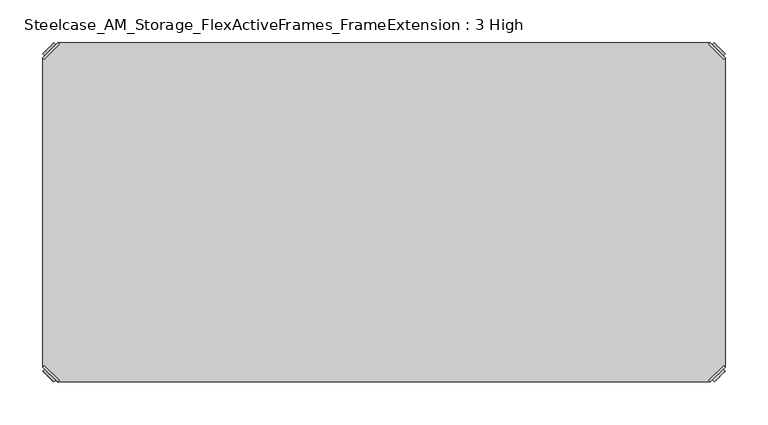
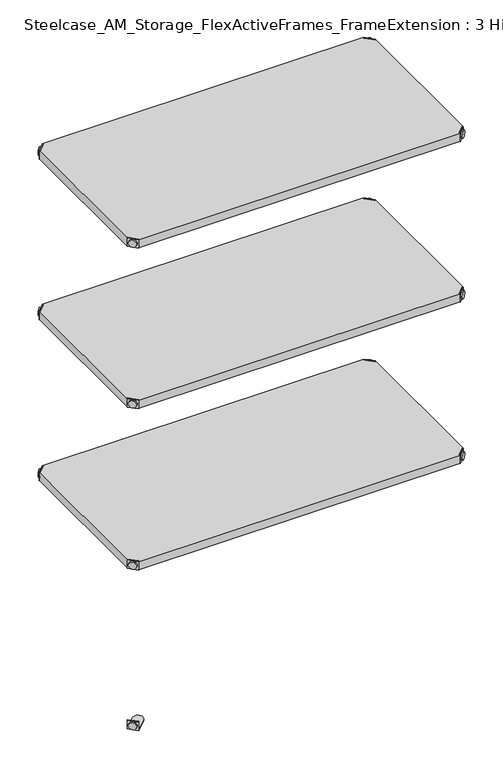
"""IFC4 building model written with IfcOpenShell, lengths in millimetres: furniture geometry, Steelcase_AM_Storage_FlexActiveFrames_FrameExtension : 3 High."""

from ifc_helpers import new_model, si_unit, frame, origin, place, context, project, spatial, polyline, circle_curve, outline, extrude, source, transform, mapped, element, save
from ifc_brep_helpers import plane_surface, cylinder_surface, advanced_brep


def steelcase_am_storage_flexactiveframes_frameextension_3_high_ee51c34d(model_context):
    return source(origin(), model_context, "Body", "SolidModel", [
        advanced_brep(
        [(2.54, -380.2870969, 923.29), (19.7629031, -397.51, 923.29), (21.5589544, -395.7139488, 923.29), (4.3360512, -378.4910456, 923.29), (2.54, -380.2870969, 901.954), (19.7629031, -397.51, 901.954), (4.8652723, -382.6123691, 913.13), (17.4376309, -395.1847277, 913.13), (30.2920522, -352.5350447, 902.97), (4.3360512, -378.4910456, 902.97), (21.5589544, -395.7139488, 902.97), (47.5149553, -369.7579478, 902.97), (30.2920522, -352.5350447, 901.954), (47.5149553, -369.7579478, 901.954), (15.1227513, -397.4996073, 913.13), (2.5503927, -384.9272487, 913.13)],
        [
            (0, 1),
            (1, 2),
            (2, 3),
            (3, 0),
            (0, 4),
            (4, 5),
            (5, 1),
            (6, 7, circle_curve(frame((11.1514516, -388.8985484, 913.13), z_axis=(0.7071067811865446, 0.7071067811865505, 0.0), x_axis=(-0.7071067811865505, 0.7071067811865446, 0.0)), 8.89)),
            (7, 6, circle_curve(frame((11.1514516, -388.8985484, 913.13), z_axis=(0.7071067811865446, 0.7071067811865505, 0.0), x_axis=(-0.7071067811865505, 0.7071067811865446, 0.0)), 8.89)),
            (8, 9),
            (9, 10),
            (10, 11),
            (11, 8, circle_curve(frame((38.9035037, -361.1464963, 902.97), z_axis=(0.0, 0.0, 1.0), x_axis=(1.0, 0.0, 0.0)), 12.1784316)),
            (12, 13, circle_curve(frame((38.9035037, -361.1464963, 901.954), z_axis=(0.0, 0.0, -1.0), x_axis=(1.0, 0.0, 0.0)), 12.1784316)),
            (13, 5),
            (4, 12),
            (14, 15, circle_curve(frame((8.836572, -391.213428, 913.13), z_axis=(-0.7071067811865446, -0.7071067811865505, 0.0), x_axis=(-0.7071067811865505, 0.7071067811865446, 0.0)), 8.89)),
            (15, 14, circle_curve(frame((8.836572, -391.213428, 913.13), z_axis=(-0.7071067811865446, -0.7071067811865505, 0.0), x_axis=(-0.7071067811865505, 0.7071067811865446, 0.0)), 8.89)),
            (15, 6),
            (7, 14),
            (2, 10),
            (9, 3),
            (11, 13),
            (12, 8),
        ],
        [
            plane_surface(frame((-19.6579872, -402.485084, 923.29), z_axis=(0.0, 0.0, 1.0000000000000002), x_axis=(0.7071067811865436, 0.7071067811865516, 0.0))),
            plane_surface(frame((19.7629031, -397.51, 923.29), z_axis=(-0.7071067811865447, -0.7071067811865503, 0.0), x_axis=(0.0, 0.0, -1.0))),
            plane_surface(frame((51.0819353, -361.1464963, 902.97), z_axis=(0.0, 0.0, 1.0), x_axis=(0.0, -1.0, 0.0))),
            plane_surface(frame((51.0819353, -361.1464963, 901.954), z_axis=(0.0, 0.0, -1.0), x_axis=(0.0, 1.0, 0.0))),
            plane_surface(frame((2.5503927, -384.9272487, 913.13), z_axis=(-0.7071067811865446, -0.7071067811865505, 0.0), x_axis=(0.0, 0.0, 1.0))),
            cylinder_surface(frame((11.1514516, -388.8985484, 913.13), z_axis=(-0.7071067811865446, -0.7071067811865505, 0.0), x_axis=(-0.7071067811865505, 0.7071067811865446, 0.0)), 8.89),
            plane_surface(frame((4.3360512, -378.4910456, 923.29), z_axis=(0.7071067811865447, 0.7071067811865503, 0.0), x_axis=(0.0, 0.0, -1.0))),
            cylinder_surface(frame((38.9035037, -361.1464963, 901.954), z_axis=(0.0, 0.0, 1.0), x_axis=(1.0, 0.0, 0.0)), 12.1784316),
            plane_surface(frame((2.54, -380.2870969, 923.29), z_axis=(-0.7071067811865516, 0.7071067811865436, 0.0), x_axis=(0.0, 0.0, -1.0))),
            plane_surface(frame((21.5589544, -395.7139488, 923.29), z_axis=(0.7071067811865513, -0.7071067811865437, 0.0), x_axis=(0.0, 0.0, -1.0))),
        ],
        [
            (0, [[1, 2, 3, 4]]),
            (1, [[5, 6, 7, -1], [8, 9]]),
            (2, [[10, 11, 12, 13]]),
            (3, [[14, 15, -6, 16]]),
            (4, [[17, 18]]),
            (5, [[19, -9, 20, -18]]),
            (5, [[-20, -8, -19, -17]]),
            (6, [[21, -11, 22, -3]]),
            (7, [[23, -14, 24, -13]]),
            (8, [[-22, -10, -24, -16, -5, -4]]),
            (9, [[-7, -15, -23, -12, -21, -2]]),
        ],
    ),
        advanced_brep(
        [(797.56, -380.2870969, 923.29), (795.7639488, -378.4910456, 923.29), (778.5410456, -395.7139488, 923.29), (780.3370969, -397.51, 923.29), (780.3370969, -397.51, 901.954), (797.56, -380.2870969, 901.954), (795.2347277, -382.6123691, 913.13), (782.6623691, -395.1847277, 913.13), (769.8079478, -352.5350447, 902.97), (752.5850447, -369.7579478, 902.97), (778.5410456, -395.7139488, 902.97), (795.7639488, -378.4910456, 902.97), (769.8079478, -352.5350447, 901.954), (752.5850447, -369.7579478, 901.954), (784.9772487, -397.4996073, 913.13), (797.5496073, -384.9272487, 913.13)],
        [
            (0, 1),
            (1, 2),
            (2, 3),
            (3, 0),
            (3, 4),
            (4, 5),
            (5, 0),
            (6, 7, circle_curve(frame((788.9485484, -388.8985484, 913.13), z_axis=(-0.7071067811865446, 0.7071067811865505, 0.0), x_axis=(0.7071067811865505, 0.7071067811865446, 0.0)), 8.89)),
            (7, 6, circle_curve(frame((788.9485484, -388.8985484, 913.13), z_axis=(-0.7071067811865446, 0.7071067811865505, 0.0), x_axis=(0.7071067811865505, 0.7071067811865446, 0.0)), 8.89)),
            (8, 9, circle_curve(frame((761.1964963, -361.1464963, 902.97), z_axis=(0.0, 0.0, 1.0), x_axis=(-1.0, 0.0, 0.0)), 12.1784316)),
            (9, 10),
            (10, 11),
            (11, 8),
            (12, 5),
            (4, 13),
            (13, 12, circle_curve(frame((761.1964963, -361.1464963, 901.954), z_axis=(0.0, 0.0, -1.0), x_axis=(-1.0, 0.0, 0.0)), 12.1784316)),
            (14, 15, circle_curve(frame((791.263428, -391.213428, 913.13), z_axis=(0.7071067811865446, -0.7071067811865505, 0.0), x_axis=(0.7071067811865505, 0.7071067811865446, 0.0)), 8.89)),
            (15, 14, circle_curve(frame((791.263428, -391.213428, 913.13), z_axis=(0.7071067811865446, -0.7071067811865505, 0.0), x_axis=(0.7071067811865505, 0.7071067811865446, 0.0)), 8.89)),
            (14, 7),
            (6, 15),
            (1, 11),
            (10, 2),
            (8, 12),
            (13, 9),
        ],
        [
            plane_surface(frame((819.7579872, -402.485084, 923.29), z_axis=(0.0, 0.0, 1.0000000000000002), x_axis=(-0.7071067811865436, 0.7071067811865516, 0.0))),
            plane_surface(frame((780.3370969, -397.51, 923.29), z_axis=(0.7071067811865447, -0.7071067811865503, 0.0), x_axis=(0.0, 0.0, -1.0))),
            plane_surface(frame((749.0180647, -361.1464963, 902.97), z_axis=(0.0, 0.0, 1.0), x_axis=(0.0, -1.0, 0.0))),
            plane_surface(frame((749.0180647, -361.1464963, 901.954), z_axis=(0.0, 0.0, -1.0), x_axis=(0.0, 1.0, 0.0))),
            plane_surface(frame((797.5496073, -384.9272487, 913.13), z_axis=(0.7071067811865446, -0.7071067811865505, 0.0), x_axis=(0.0, 0.0, 1.0))),
            cylinder_surface(frame((788.9485484, -388.8985484, 913.13), z_axis=(0.7071067811865446, -0.7071067811865505, 0.0), x_axis=(0.7071067811865505, 0.7071067811865446, 0.0)), 8.89),
            plane_surface(frame((795.7639488, -378.4910456, 923.29), z_axis=(-0.7071067811865447, 0.7071067811865503, 0.0), x_axis=(0.0, 0.0, -1.0))),
            cylinder_surface(frame((761.1964963, -361.1464963, 901.954), z_axis=(0.0, 0.0, 1.0), x_axis=(-1.0, 0.0, 0.0)), 12.1784316),
            plane_surface(frame((797.56, -380.2870969, 923.29), z_axis=(0.7071067811865516, 0.7071067811865436, 0.0), x_axis=(0.0, 0.0, -1.0))),
            plane_surface(frame((778.5410456, -395.7139488, 923.29), z_axis=(-0.7071067811865513, -0.7071067811865437, 0.0), x_axis=(0.0, 0.0, -1.0))),
        ],
        [
            (0, [[1, 2, 3, 4]]),
            (1, [[-4, 5, 6, 7], [8, 9]]),
            (2, [[10, 11, 12, 13]]),
            (3, [[14, -6, 15, 16]]),
            (4, [[17, 18]]),
            (5, [[-17, 19, -8, 20]]),
            (5, [[-18, -20, -9, -19]]),
            (6, [[-2, 21, -12, 22]]),
            (7, [[-10, 23, -16, 24]]),
            (8, [[-1, -7, -14, -23, -13, -21]]),
            (9, [[-3, -22, -11, -24, -15, -5]]),
        ],
    ),
        advanced_brep(
        [(797.56, -19.7629031, 923.29), (780.3370969, -2.54, 923.29), (778.5410456, -4.3360512, 923.29), (795.7639488, -21.5589544, 923.29), (797.56, -19.7629031, 901.954), (780.3370969, -2.54, 901.954), (795.2347277, -17.4376309, 913.13), (782.6623691, -4.8652723, 913.13), (769.8079478, -47.5149553, 902.97), (795.7639488, -21.5589544, 902.97), (778.5410456, -4.3360512, 902.97), (752.5850447, -30.2920522, 902.97), (769.8079478, -47.5149553, 901.954), (752.5850447, -30.2920522, 901.954), (784.9772487, -2.5503927, 913.13), (797.5496073, -15.1227513, 913.13)],
        [
            (0, 1),
            (1, 2),
            (2, 3),
            (3, 0),
            (0, 4),
            (4, 5),
            (5, 1),
            (6, 7, circle_curve(frame((788.9485484, -11.1514516, 913.13), z_axis=(-0.7071067811865469, -0.7071067811865481, 0.0), x_axis=(0.7071067811865481, -0.7071067811865469, 0.0)), 8.89)),
            (7, 6, circle_curve(frame((788.9485484, -11.1514516, 913.13), z_axis=(-0.7071067811865469, -0.7071067811865481, 0.0), x_axis=(0.7071067811865481, -0.7071067811865469, 0.0)), 8.89)),
            (8, 9),
            (9, 10),
            (10, 11),
            (11, 8, circle_curve(frame((761.1964963, -38.9035037, 902.97), z_axis=(0.0, 0.0, 1.0), x_axis=(-1.0, 0.0, 0.0)), 12.1784316)),
            (12, 13, circle_curve(frame((761.1964963, -38.9035037, 901.954), z_axis=(0.0, 0.0, -1.0), x_axis=(-1.0, 0.0, 0.0)), 12.1784316)),
            (13, 5),
            (4, 12),
            (14, 15, circle_curve(frame((791.263428, -8.836572, 913.13), z_axis=(0.7071067811865469, 0.7071067811865481, 0.0), x_axis=(0.7071067811865481, -0.7071067811865469, 0.0)), 8.89)),
            (15, 14, circle_curve(frame((791.263428, -8.836572, 913.13), z_axis=(0.7071067811865469, 0.7071067811865481, 0.0), x_axis=(0.7071067811865481, -0.7071067811865469, 0.0)), 8.89)),
            (15, 6),
            (7, 14),
            (2, 10),
            (9, 3),
            (11, 13),
            (12, 8),
        ],
        [
            plane_surface(frame((819.7579872, 2.435084, 923.29), z_axis=(0.0, 0.0, 1.0000000000000002), x_axis=(-0.7071067811865459, -0.7071067811865492, 0.0))),
            plane_surface(frame((780.3370969, -2.54, 923.29), z_axis=(0.707106781186547, 0.707106781186548, 0.0), x_axis=(0.0, 0.0, -1.0))),
            plane_surface(frame((749.0180647, -38.9035037, 902.97), z_axis=(0.0, 0.0, 1.0), x_axis=(0.0, 1.0, 0.0))),
            plane_surface(frame((749.0180647, -38.9035037, 901.954), z_axis=(0.0, 0.0, -1.0), x_axis=(0.0, -1.0, 0.0))),
            plane_surface(frame((797.5496073, -15.1227513, 913.13), z_axis=(0.7071067811865469, 0.7071067811865481, 0.0), x_axis=(0.0, 0.0, 1.0))),
            cylinder_surface(frame((788.9485484, -11.1514516, 913.13), z_axis=(0.7071067811865469, 0.7071067811865481, 0.0), x_axis=(0.7071067811865481, -0.7071067811865469, 0.0)), 8.89),
            plane_surface(frame((795.7639488, -21.5589544, 923.29), z_axis=(-0.707106781186547, -0.707106781186548, 0.0), x_axis=(0.0, 0.0, -1.0))),
            cylinder_surface(frame((761.1964963, -38.9035037, 901.954), z_axis=(0.0, 0.0, 1.0), x_axis=(-1.0, 0.0, 0.0)), 12.1784316),
            plane_surface(frame((797.56, -19.7629031, 923.29), z_axis=(0.7071067811865492, -0.7071067811865459, 0.0), x_axis=(0.0, 0.0, -1.0))),
            plane_surface(frame((778.5410456, -4.3360512, 923.29), z_axis=(-0.707106781186549, 0.707106781186546, 0.0), x_axis=(0.0, 0.0, -1.0))),
        ],
        [
            (0, [[1, 2, 3, 4]]),
            (1, [[5, 6, 7, -1], [8, 9]]),
            (2, [[10, 11, 12, 13]]),
            (3, [[14, 15, -6, 16]]),
            (4, [[17, 18]]),
            (5, [[19, -9, 20, -18]]),
            (5, [[-20, -8, -19, -17]]),
            (6, [[21, -11, 22, -3]]),
            (7, [[23, -14, 24, -13]]),
            (8, [[-22, -10, -24, -16, -5, -4]]),
            (9, [[-7, -15, -23, -12, -21, -2]]),
        ],
    ),
        advanced_brep(
        [(2.54, -19.7629031, 923.29), (4.3360512, -21.5589544, 923.29), (21.5589544, -4.3360512, 923.29), (19.7629031, -2.54, 923.29), (19.7629031, -2.54, 901.954), (2.54, -19.7629031, 901.954), (4.8652723, -17.4376309, 913.13), (17.4376309, -4.8652723, 913.13), (30.2920522, -47.5149553, 902.97), (47.5149553, -30.2920522, 902.97), (21.5589544, -4.3360512, 902.97), (4.3360512, -21.5589544, 902.97), (30.2920522, -47.5149553, 901.954), (47.5149553, -30.2920522, 901.954), (15.1227513, -2.5503927, 913.13), (2.5503927, -15.1227513, 913.13)],
        [
            (0, 1),
            (1, 2),
            (2, 3),
            (3, 0),
            (3, 4),
            (4, 5),
            (5, 0),
            (6, 7, circle_curve(frame((11.1514516, -11.1514516, 913.13), z_axis=(0.7071067811865469, -0.7071067811865481, 0.0), x_axis=(-0.7071067811865481, -0.7071067811865469, 0.0)), 8.89)),
            (7, 6, circle_curve(frame((11.1514516, -11.1514516, 913.13), z_axis=(0.7071067811865469, -0.7071067811865481, 0.0), x_axis=(-0.7071067811865481, -0.7071067811865469, 0.0)), 8.89)),
            (8, 9, circle_curve(frame((38.9035037, -38.9035037, 902.97), z_axis=(0.0, 0.0, 1.0), x_axis=(1.0, 0.0, 0.0)), 12.1784316)),
            (9, 10),
            (10, 11),
            (11, 8),
            (12, 5),
            (4, 13),
            (13, 12, circle_curve(frame((38.9035037, -38.9035037, 901.954), z_axis=(0.0, 0.0, -1.0), x_axis=(1.0, 0.0, 0.0)), 12.1784316)),
            (14, 15, circle_curve(frame((8.836572, -8.836572, 913.13), z_axis=(-0.7071067811865469, 0.7071067811865481, 0.0), x_axis=(-0.7071067811865481, -0.7071067811865469, 0.0)), 8.89)),
            (15, 14, circle_curve(frame((8.836572, -8.836572, 913.13), z_axis=(-0.7071067811865469, 0.7071067811865481, 0.0), x_axis=(-0.7071067811865481, -0.7071067811865469, 0.0)), 8.89)),
            (14, 7),
            (6, 15),
            (1, 11),
            (10, 2),
            (8, 12),
            (13, 9),
        ],
        [
            plane_surface(frame((-19.6579872, 2.435084, 923.29), z_axis=(0.0, 0.0, 1.0000000000000002), x_axis=(0.7071067811865459, -0.7071067811865492, 0.0))),
            plane_surface(frame((19.7629031, -2.54, 923.29), z_axis=(-0.707106781186547, 0.707106781186548, 0.0), x_axis=(0.0, 0.0, -1.0))),
            plane_surface(frame((51.0819353, -38.9035037, 902.97), z_axis=(0.0, 0.0, 1.0), x_axis=(0.0, 1.0, 0.0))),
            plane_surface(frame((51.0819353, -38.9035037, 901.954), z_axis=(0.0, 0.0, -1.0), x_axis=(0.0, -1.0, 0.0))),
            plane_surface(frame((2.5503927, -15.1227513, 913.13), z_axis=(-0.7071067811865469, 0.7071067811865481, 0.0), x_axis=(0.0, 0.0, 1.0))),
            cylinder_surface(frame((11.1514516, -11.1514516, 913.13), z_axis=(-0.7071067811865469, 0.7071067811865481, 0.0), x_axis=(-0.7071067811865481, -0.7071067811865469, 0.0)), 8.89),
            plane_surface(frame((4.3360512, -21.5589544, 923.29), z_axis=(0.707106781186547, -0.707106781186548, 0.0), x_axis=(0.0, 0.0, -1.0))),
            cylinder_surface(frame((38.9035037, -38.9035037, 901.954), z_axis=(0.0, 0.0, 1.0), x_axis=(1.0, 0.0, 0.0)), 12.1784316),
            plane_surface(frame((2.54, -19.7629031, 923.29), z_axis=(-0.7071067811865492, -0.7071067811865459, 0.0), x_axis=(0.0, 0.0, -1.0))),
            plane_surface(frame((21.5589544, -4.3360512, 923.29), z_axis=(0.707106781186549, 0.707106781186546, 0.0), x_axis=(0.0, 0.0, -1.0))),
        ],
        [
            (0, [[1, 2, 3, 4]]),
            (1, [[-4, 5, 6, 7], [8, 9]]),
            (2, [[10, 11, 12, 13]]),
            (3, [[14, -6, 15, 16]]),
            (4, [[17, 18]]),
            (5, [[-17, 19, -8, 20]]),
            (5, [[-18, -20, -9, -19]]),
            (6, [[-2, 21, -12, 22]]),
            (7, [[-10, 23, -16, 24]]),
            (8, [[-1, -7, -14, -23, -13, -21]]),
            (9, [[-3, -22, -11, -24, -15, -5]]),
        ],
    ),
        extrude(outline(polyline([(19.7629031, -2.54), (780.3370969, -2.54), (778.5410456, -4.3360512), (795.7639488, -21.5589544), (797.56, -19.7629031), (797.56, -380.2870969), (795.7639488, -378.4910456), (778.5410456, -395.7139488), (780.3370969, -397.51), (19.7629031, -397.51), (21.5589544, -395.7139488), (4.3360512, -378.4910456), (2.54, -380.2870969), (2.54, -19.7629031), (4.3360512, -21.5589544), (21.5589544, -4.3360512), (19.7629031, -2.54)])), frame((0.0, 0.0, 902.97), z_axis=(0.0, 0.0, 1.0), x_axis=(1.0, 0.0, 0.0)), (0.0, 0.0, 1.0), 20.32),
        advanced_brep(
        [(2.54, -380.2870969, 520.2936), (19.7629031, -397.51, 520.2936), (21.5589544, -395.7139488, 520.2936), (4.3360512, -378.4910456, 520.2936), (2.54, -380.2870969, 498.9576), (19.7629031, -397.51, 498.9576), (4.8652723, -382.6123691, 510.1336), (17.4376309, -395.1847277, 510.1336), (30.2920522, -352.5350447, 499.9736), (4.3360512, -378.4910456, 499.9736), (21.5589544, -395.7139488, 499.9736), (47.5149553, -369.7579478, 499.9736), (30.2920522, -352.5350447, 498.9576), (47.5149553, -369.7579478, 498.9576), (15.1227513, -397.4996073, 510.1336), (2.5503927, -384.9272487, 510.1336)],
        [
            (0, 1),
            (1, 2),
            (2, 3),
            (3, 0),
            (0, 4),
            (4, 5),
            (5, 1),
            (6, 7, circle_curve(frame((11.1514516, -388.8985484, 510.1336), z_axis=(0.7071067811865446, 0.7071067811865505, 0.0), x_axis=(-0.7071067811865505, 0.7071067811865446, 0.0)), 8.89)),
            (7, 6, circle_curve(frame((11.1514516, -388.8985484, 510.1336), z_axis=(0.7071067811865446, 0.7071067811865505, 0.0), x_axis=(-0.7071067811865505, 0.7071067811865446, 0.0)), 8.89)),
            (8, 9),
            (9, 10),
            (10, 11),
            (11, 8, circle_curve(frame((38.9035037, -361.1464963, 499.9736), z_axis=(0.0, 0.0, 1.0), x_axis=(1.0, 0.0, 0.0)), 12.1784316)),
            (12, 13, circle_curve(frame((38.9035037, -361.1464963, 498.9576), z_axis=(0.0, 0.0, -1.0), x_axis=(1.0, 0.0, 0.0)), 12.1784316)),
            (13, 5),
            (4, 12),
            (14, 15, circle_curve(frame((8.836572, -391.213428, 510.1336), z_axis=(-0.7071067811865446, -0.7071067811865505, 0.0), x_axis=(-0.7071067811865505, 0.7071067811865446, 0.0)), 8.89)),
            (15, 14, circle_curve(frame((8.836572, -391.213428, 510.1336), z_axis=(-0.7071067811865446, -0.7071067811865505, 0.0), x_axis=(-0.7071067811865505, 0.7071067811865446, 0.0)), 8.89)),
            (15, 6),
            (7, 14),
            (2, 10),
            (9, 3),
            (11, 13),
            (12, 8),
        ],
        [
            plane_surface(frame((-19.6579872, -402.485084, 520.2936), z_axis=(0.0, 0.0, 1.0000000000000002), x_axis=(0.7071067811865436, 0.7071067811865516, 0.0))),
            plane_surface(frame((19.7629031, -397.51, 520.2936), z_axis=(-0.7071067811865447, -0.7071067811865503, 0.0), x_axis=(0.0, 0.0, -1.0))),
            plane_surface(frame((51.0819353, -361.1464963, 499.9736), z_axis=(0.0, 0.0, 1.0), x_axis=(0.0, -1.0, 0.0))),
            plane_surface(frame((51.0819353, -361.1464963, 498.9576), z_axis=(0.0, 0.0, -1.0), x_axis=(0.0, 1.0, 0.0))),
            plane_surface(frame((2.5503927, -384.9272487, 510.1336), z_axis=(-0.7071067811865446, -0.7071067811865505, 0.0), x_axis=(0.0, 0.0, 1.0))),
            cylinder_surface(frame((11.1514516, -388.8985484, 510.1336), z_axis=(-0.7071067811865446, -0.7071067811865505, 0.0), x_axis=(-0.7071067811865505, 0.7071067811865446, 0.0)), 8.89),
            plane_surface(frame((4.3360512, -378.4910456, 520.2936), z_axis=(0.7071067811865447, 0.7071067811865503, 0.0), x_axis=(0.0, 0.0, -1.0))),
            cylinder_surface(frame((38.9035037, -361.1464963, 498.9576), z_axis=(0.0, 0.0, 1.0), x_axis=(1.0, 0.0, 0.0)), 12.1784316),
            plane_surface(frame((2.54, -380.2870969, 520.2936), z_axis=(-0.7071067811865516, 0.7071067811865436, 0.0), x_axis=(0.0, 0.0, -1.0))),
            plane_surface(frame((21.5589544, -395.7139488, 520.2936), z_axis=(0.7071067811865513, -0.7071067811865437, 0.0), x_axis=(0.0, 0.0, -1.0))),
        ],
        [
            (0, [[1, 2, 3, 4]]),
            (1, [[5, 6, 7, -1], [8, 9]]),
            (2, [[10, 11, 12, 13]]),
            (3, [[14, 15, -6, 16]]),
            (4, [[17, 18]]),
            (5, [[19, -9, 20, -18]]),
            (5, [[-20, -8, -19, -17]]),
            (6, [[21, -11, 22, -3]]),
            (7, [[23, -14, 24, -13]]),
            (8, [[-22, -10, -24, -16, -5, -4]]),
            (9, [[-7, -15, -23, -12, -21, -2]]),
        ],
    ),
        advanced_brep(
        [(797.56, -380.2870969, 520.2936), (795.7639488, -378.4910456, 520.2936), (778.5410456, -395.7139488, 520.2936), (780.3370969, -397.51, 520.2936), (780.3370969, -397.51, 498.9576), (797.56, -380.2870969, 498.9576), (795.2347277, -382.6123691, 510.1336), (782.6623691, -395.1847277, 510.1336), (769.8079478, -352.5350447, 499.9736), (752.5850447, -369.7579478, 499.9736), (778.5410456, -395.7139488, 499.9736), (795.7639488, -378.4910456, 499.9736), (769.8079478, -352.5350447, 498.9576), (752.5850447, -369.7579478, 498.9576), (784.9772487, -397.4996073, 510.1336), (797.5496073, -384.9272487, 510.1336)],
        [
            (0, 1),
            (1, 2),
            (2, 3),
            (3, 0),
            (3, 4),
            (4, 5),
            (5, 0),
            (6, 7, circle_curve(frame((788.9485484, -388.8985484, 510.1336), z_axis=(-0.7071067811865446, 0.7071067811865505, 0.0), x_axis=(0.7071067811865505, 0.7071067811865446, 0.0)), 8.89)),
            (7, 6, circle_curve(frame((788.9485484, -388.8985484, 510.1336), z_axis=(-0.7071067811865446, 0.7071067811865505, 0.0), x_axis=(0.7071067811865505, 0.7071067811865446, 0.0)), 8.89)),
            (8, 9, circle_curve(frame((761.1964963, -361.1464963, 499.9736), z_axis=(0.0, 0.0, 1.0), x_axis=(-1.0, 0.0, 0.0)), 12.1784316)),
            (9, 10),
            (10, 11),
            (11, 8),
            (12, 5),
            (4, 13),
            (13, 12, circle_curve(frame((761.1964963, -361.1464963, 498.9576), z_axis=(0.0, 0.0, -1.0), x_axis=(-1.0, 0.0, 0.0)), 12.1784316)),
            (14, 15, circle_curve(frame((791.263428, -391.213428, 510.1336), z_axis=(0.7071067811865446, -0.7071067811865505, 0.0), x_axis=(0.7071067811865505, 0.7071067811865446, 0.0)), 8.89)),
            (15, 14, circle_curve(frame((791.263428, -391.213428, 510.1336), z_axis=(0.7071067811865446, -0.7071067811865505, 0.0), x_axis=(0.7071067811865505, 0.7071067811865446, 0.0)), 8.89)),
            (14, 7),
            (6, 15),
            (1, 11),
            (10, 2),
            (8, 12),
            (13, 9),
        ],
        [
            plane_surface(frame((819.7579872, -402.485084, 520.2936), z_axis=(0.0, 0.0, 1.0000000000000002), x_axis=(-0.7071067811865436, 0.7071067811865516, 0.0))),
            plane_surface(frame((780.3370969, -397.51, 520.2936), z_axis=(0.7071067811865447, -0.7071067811865503, 0.0), x_axis=(0.0, 0.0, -1.0))),
            plane_surface(frame((749.0180647, -361.1464963, 499.9736), z_axis=(0.0, 0.0, 1.0), x_axis=(0.0, -1.0, 0.0))),
            plane_surface(frame((749.0180647, -361.1464963, 498.9576), z_axis=(0.0, 0.0, -1.0), x_axis=(0.0, 1.0, 0.0))),
            plane_surface(frame((797.5496073, -384.9272487, 510.1336), z_axis=(0.7071067811865446, -0.7071067811865505, 0.0), x_axis=(0.0, 0.0, 1.0))),
            cylinder_surface(frame((788.9485484, -388.8985484, 510.1336), z_axis=(0.7071067811865446, -0.7071067811865505, 0.0), x_axis=(0.7071067811865505, 0.7071067811865446, 0.0)), 8.89),
            plane_surface(frame((795.7639488, -378.4910456, 520.2936), z_axis=(-0.7071067811865447, 0.7071067811865503, 0.0), x_axis=(0.0, 0.0, -1.0))),
            cylinder_surface(frame((761.1964963, -361.1464963, 498.9576), z_axis=(0.0, 0.0, 1.0), x_axis=(-1.0, 0.0, 0.0)), 12.1784316),
            plane_surface(frame((797.56, -380.2870969, 520.2936), z_axis=(0.7071067811865516, 0.7071067811865436, 0.0), x_axis=(0.0, 0.0, -1.0))),
            plane_surface(frame((778.5410456, -395.7139488, 520.2936), z_axis=(-0.7071067811865513, -0.7071067811865437, 0.0), x_axis=(0.0, 0.0, -1.0))),
        ],
        [
            (0, [[1, 2, 3, 4]]),
            (1, [[-4, 5, 6, 7], [8, 9]]),
            (2, [[10, 11, 12, 13]]),
            (3, [[14, -6, 15, 16]]),
            (4, [[17, 18]]),
            (5, [[-17, 19, -8, 20]]),
            (5, [[-18, -20, -9, -19]]),
            (6, [[-2, 21, -12, 22]]),
            (7, [[-10, 23, -16, 24]]),
            (8, [[-1, -7, -14, -23, -13, -21]]),
            (9, [[-3, -22, -11, -24, -15, -5]]),
        ],
    ),
        advanced_brep(
        [(797.56, -19.7629031, 520.2936), (780.3370969, -2.54, 520.2936), (778.5410456, -4.3360512, 520.2936), (795.7639488, -21.5589544, 520.2936), (797.56, -19.7629031, 498.9576), (780.3370969, -2.54, 498.9576), (795.2347277, -17.4376309, 510.1336), (782.6623691, -4.8652723, 510.1336), (769.8079478, -47.5149553, 499.9736), (795.7639488, -21.5589544, 499.9736), (778.5410456, -4.3360512, 499.9736), (752.5850447, -30.2920522, 499.9736), (769.8079478, -47.5149553, 498.9576), (752.5850447, -30.2920522, 498.9576), (784.9772487, -2.5503927, 510.1336), (797.5496073, -15.1227513, 510.1336)],
        [
            (0, 1),
            (1, 2),
            (2, 3),
            (3, 0),
            (0, 4),
            (4, 5),
            (5, 1),
            (6, 7, circle_curve(frame((788.9485484, -11.1514516, 510.1336), z_axis=(-0.7071067811865469, -0.7071067811865481, 0.0), x_axis=(0.7071067811865481, -0.7071067811865469, 0.0)), 8.89)),
            (7, 6, circle_curve(frame((788.9485484, -11.1514516, 510.1336), z_axis=(-0.7071067811865469, -0.7071067811865481, 0.0), x_axis=(0.7071067811865481, -0.7071067811865469, 0.0)), 8.89)),
            (8, 9),
            (9, 10),
            (10, 11),
            (11, 8, circle_curve(frame((761.1964963, -38.9035037, 499.9736), z_axis=(0.0, 0.0, 1.0), x_axis=(-1.0, 0.0, 0.0)), 12.1784316)),
            (12, 13, circle_curve(frame((761.1964963, -38.9035037, 498.9576), z_axis=(0.0, 0.0, -1.0), x_axis=(-1.0, 0.0, 0.0)), 12.1784316)),
            (13, 5),
            (4, 12),
            (14, 15, circle_curve(frame((791.263428, -8.836572, 510.1336), z_axis=(0.7071067811865469, 0.7071067811865481, 0.0), x_axis=(0.7071067811865481, -0.7071067811865469, 0.0)), 8.89)),
            (15, 14, circle_curve(frame((791.263428, -8.836572, 510.1336), z_axis=(0.7071067811865469, 0.7071067811865481, 0.0), x_axis=(0.7071067811865481, -0.7071067811865469, 0.0)), 8.89)),
            (15, 6),
            (7, 14),
            (2, 10),
            (9, 3),
            (11, 13),
            (12, 8),
        ],
        [
            plane_surface(frame((819.7579872, 2.435084, 520.2936), z_axis=(0.0, 0.0, 1.0000000000000002), x_axis=(-0.7071067811865459, -0.7071067811865492, 0.0))),
            plane_surface(frame((780.3370969, -2.54, 520.2936), z_axis=(0.707106781186547, 0.707106781186548, 0.0), x_axis=(0.0, 0.0, -1.0))),
            plane_surface(frame((749.0180647, -38.9035037, 499.9736), z_axis=(0.0, 0.0, 1.0), x_axis=(0.0, 1.0, 0.0))),
            plane_surface(frame((749.0180647, -38.9035037, 498.9576), z_axis=(0.0, 0.0, -1.0), x_axis=(0.0, -1.0, 0.0))),
            plane_surface(frame((797.5496073, -15.1227513, 510.1336), z_axis=(0.7071067811865469, 0.7071067811865481, 0.0), x_axis=(0.0, 0.0, 1.0))),
            cylinder_surface(frame((788.9485484, -11.1514516, 510.1336), z_axis=(0.7071067811865469, 0.7071067811865481, 0.0), x_axis=(0.7071067811865481, -0.7071067811865469, 0.0)), 8.89),
            plane_surface(frame((795.7639488, -21.5589544, 520.2936), z_axis=(-0.707106781186547, -0.707106781186548, 0.0), x_axis=(0.0, 0.0, -1.0))),
            cylinder_surface(frame((761.1964963, -38.9035037, 498.9576), z_axis=(0.0, 0.0, 1.0), x_axis=(-1.0, 0.0, 0.0)), 12.1784316),
            plane_surface(frame((797.56, -19.7629031, 520.2936), z_axis=(0.7071067811865492, -0.7071067811865459, 0.0), x_axis=(0.0, 0.0, -1.0))),
            plane_surface(frame((778.5410456, -4.3360512, 520.2936), z_axis=(-0.707106781186549, 0.707106781186546, 0.0), x_axis=(0.0, 0.0, -1.0))),
        ],
        [
            (0, [[1, 2, 3, 4]]),
            (1, [[5, 6, 7, -1], [8, 9]]),
            (2, [[10, 11, 12, 13]]),
            (3, [[14, 15, -6, 16]]),
            (4, [[17, 18]]),
            (5, [[19, -9, 20, -18]]),
            (5, [[-20, -8, -19, -17]]),
            (6, [[21, -11, 22, -3]]),
            (7, [[23, -14, 24, -13]]),
            (8, [[-22, -10, -24, -16, -5, -4]]),
            (9, [[-7, -15, -23, -12, -21, -2]]),
        ],
    ),
        advanced_brep(
        [(2.54, -19.7629031, 520.2936), (4.3360512, -21.5589544, 520.2936), (21.5589544, -4.3360512, 520.2936), (19.7629031, -2.54, 520.2936), (19.7629031, -2.54, 498.9576), (2.54, -19.7629031, 498.9576), (4.8652723, -17.4376309, 510.1336), (17.4376309, -4.8652723, 510.1336), (30.2920522, -47.5149553, 499.9736), (47.5149553, -30.2920522, 499.9736), (21.5589544, -4.3360512, 499.9736), (4.3360512, -21.5589544, 499.9736), (30.2920522, -47.5149553, 498.9576), (47.5149553, -30.2920522, 498.9576), (15.1227513, -2.5503927, 510.1336), (2.5503927, -15.1227513, 510.1336)],
        [
            (0, 1),
            (1, 2),
            (2, 3),
            (3, 0),
            (3, 4),
            (4, 5),
            (5, 0),
            (6, 7, circle_curve(frame((11.1514516, -11.1514516, 510.1336), z_axis=(0.7071067811865469, -0.7071067811865481, 0.0), x_axis=(-0.7071067811865481, -0.7071067811865469, 0.0)), 8.89)),
            (7, 6, circle_curve(frame((11.1514516, -11.1514516, 510.1336), z_axis=(0.7071067811865469, -0.7071067811865481, 0.0), x_axis=(-0.7071067811865481, -0.7071067811865469, 0.0)), 8.89)),
            (8, 9, circle_curve(frame((38.9035037, -38.9035037, 499.9736), z_axis=(0.0, 0.0, 1.0), x_axis=(1.0, 0.0, 0.0)), 12.1784316)),
            (9, 10),
            (10, 11),
            (11, 8),
            (12, 5),
            (4, 13),
            (13, 12, circle_curve(frame((38.9035037, -38.9035037, 498.9576), z_axis=(0.0, 0.0, -1.0), x_axis=(1.0, 0.0, 0.0)), 12.1784316)),
            (14, 15, circle_curve(frame((8.836572, -8.836572, 510.1336), z_axis=(-0.7071067811865469, 0.7071067811865481, 0.0), x_axis=(-0.7071067811865481, -0.7071067811865469, 0.0)), 8.89)),
            (15, 14, circle_curve(frame((8.836572, -8.836572, 510.1336), z_axis=(-0.7071067811865469, 0.7071067811865481, 0.0), x_axis=(-0.7071067811865481, -0.7071067811865469, 0.0)), 8.89)),
            (14, 7),
            (6, 15),
            (1, 11),
            (10, 2),
            (8, 12),
            (13, 9),
        ],
        [
            plane_surface(frame((-19.6579872, 2.435084, 520.2936), z_axis=(0.0, 0.0, 1.0000000000000002), x_axis=(0.7071067811865459, -0.7071067811865492, 0.0))),
            plane_surface(frame((19.7629031, -2.54, 520.2936), z_axis=(-0.707106781186547, 0.707106781186548, 0.0), x_axis=(0.0, 0.0, -1.0))),
            plane_surface(frame((51.0819353, -38.9035037, 499.9736), z_axis=(0.0, 0.0, 1.0), x_axis=(0.0, 1.0, 0.0))),
            plane_surface(frame((51.0819353, -38.9035037, 498.9576), z_axis=(0.0, 0.0, -1.0), x_axis=(0.0, -1.0, 0.0))),
            plane_surface(frame((2.5503927, -15.1227513, 510.1336), z_axis=(-0.7071067811865469, 0.7071067811865481, 0.0), x_axis=(0.0, 0.0, 1.0))),
            cylinder_surface(frame((11.1514516, -11.1514516, 510.1336), z_axis=(-0.7071067811865469, 0.7071067811865481, 0.0), x_axis=(-0.7071067811865481, -0.7071067811865469, 0.0)), 8.89),
            plane_surface(frame((4.3360512, -21.5589544, 520.2936), z_axis=(0.707106781186547, -0.707106781186548, 0.0), x_axis=(0.0, 0.0, -1.0))),
            cylinder_surface(frame((38.9035037, -38.9035037, 498.9576), z_axis=(0.0, 0.0, 1.0), x_axis=(1.0, 0.0, 0.0)), 12.1784316),
            plane_surface(frame((2.54, -19.7629031, 520.2936), z_axis=(-0.7071067811865492, -0.7071067811865459, 0.0), x_axis=(0.0, 0.0, -1.0))),
            plane_surface(frame((21.5589544, -4.3360512, 520.2936), z_axis=(0.707106781186549, 0.707106781186546, 0.0), x_axis=(0.0, 0.0, -1.0))),
        ],
        [
            (0, [[1, 2, 3, 4]]),
            (1, [[-4, 5, 6, 7], [8, 9]]),
            (2, [[10, 11, 12, 13]]),
            (3, [[14, -6, 15, 16]]),
            (4, [[17, 18]]),
            (5, [[-17, 19, -8, 20]]),
            (5, [[-18, -20, -9, -19]]),
            (6, [[-2, 21, -12, 22]]),
            (7, [[-10, 23, -16, 24]]),
            (8, [[-1, -7, -14, -23, -13, -21]]),
            (9, [[-3, -22, -11, -24, -15, -5]]),
        ],
    ),
        extrude(outline(polyline([(19.7629031, -2.54), (780.3370969, -2.54), (778.5410456, -4.3360512), (795.7639488, -21.5589544), (797.56, -19.7629031), (797.56, -380.2870969), (795.7639488, -378.4910456), (778.5410456, -395.7139488), (780.3370969, -397.51), (19.7629031, -397.51), (21.5589544, -395.7139488), (4.3360512, -378.4910456), (2.54, -380.2870969), (2.54, -19.7629031), (4.3360512, -21.5589544), (21.5589544, -4.3360512), (19.7629031, -2.54)])), frame((0.0, 0.0, 499.9736), z_axis=(0.0, 0.0, 1.0), x_axis=(1.0, 0.0, 0.0)), (0.0, 0.0, 1.0), 20.32),
        advanced_brep(
        [(2.54, -380.2870969, 1324.61), (19.7629031, -397.51, 1324.61), (21.5589544, -395.7139488, 1324.61), (4.3360512, -378.4910456, 1324.61), (2.54, -380.2870969, 1303.274), (19.7629031, -397.51, 1303.274), (4.8652723, -382.6123691, 1314.45), (17.4376309, -395.1847277, 1314.45), (30.2920522, -352.5350447, 1304.29), (4.3360512, -378.4910456, 1304.29), (21.5589544, -395.7139488, 1304.29), (47.5149553, -369.7579478, 1304.29), (30.2920522, -352.5350447, 1303.274), (47.5149553, -369.7579478, 1303.274), (15.1227513, -397.4996073, 1314.45), (2.5503927, -384.9272487, 1314.45)],
        [
            (0, 1),
            (1, 2),
            (2, 3),
            (3, 0),
            (0, 4),
            (4, 5),
            (5, 1),
            (6, 7, circle_curve(frame((11.1514516, -388.8985484, 1314.45), z_axis=(0.7071067811865446, 0.7071067811865505, 0.0), x_axis=(-0.7071067811865505, 0.7071067811865446, 0.0)), 8.89)),
            (7, 6, circle_curve(frame((11.1514516, -388.8985484, 1314.45), z_axis=(0.7071067811865446, 0.7071067811865505, 0.0), x_axis=(-0.7071067811865505, 0.7071067811865446, 0.0)), 8.89)),
            (8, 9),
            (9, 10),
            (10, 11),
            (11, 8, circle_curve(frame((38.9035037, -361.1464963, 1304.29), z_axis=(0.0, 0.0, 1.0), x_axis=(1.0, 0.0, 0.0)), 12.1784316)),
            (12, 13, circle_curve(frame((38.9035037, -361.1464963, 1303.274), z_axis=(0.0, 0.0, -1.0), x_axis=(1.0, 0.0, 0.0)), 12.1784316)),
            (13, 5),
            (4, 12),
            (14, 15, circle_curve(frame((8.836572, -391.213428, 1314.45), z_axis=(-0.7071067811865446, -0.7071067811865505, 0.0), x_axis=(-0.7071067811865505, 0.7071067811865446, 0.0)), 8.89)),
            (15, 14, circle_curve(frame((8.836572, -391.213428, 1314.45), z_axis=(-0.7071067811865446, -0.7071067811865505, 0.0), x_axis=(-0.7071067811865505, 0.7071067811865446, 0.0)), 8.89)),
            (15, 6),
            (7, 14),
            (2, 10),
            (9, 3),
            (11, 13),
            (12, 8),
        ],
        [
            plane_surface(frame((-19.6579872, -402.485084, 1324.61), z_axis=(0.0, 0.0, 1.0000000000000002), x_axis=(0.7071067811865436, 0.7071067811865516, 0.0))),
            plane_surface(frame((19.7629031, -397.51, 1324.61), z_axis=(-0.7071067811865447, -0.7071067811865503, 0.0), x_axis=(0.0, 0.0, -1.0))),
            plane_surface(frame((51.0819353, -361.1464963, 1304.29), z_axis=(0.0, 0.0, 1.0), x_axis=(0.0, -1.0, 0.0))),
            plane_surface(frame((51.0819353, -361.1464963, 1303.274), z_axis=(0.0, 0.0, -1.0), x_axis=(0.0, 1.0, 0.0))),
            plane_surface(frame((2.5503927, -384.9272487, 1314.45), z_axis=(-0.7071067811865446, -0.7071067811865505, 0.0), x_axis=(0.0, 0.0, 1.0))),
            cylinder_surface(frame((11.1514516, -388.8985484, 1314.45), z_axis=(-0.7071067811865446, -0.7071067811865505, 0.0), x_axis=(-0.7071067811865505, 0.7071067811865446, 0.0)), 8.89),
            plane_surface(frame((4.3360512, -378.4910456, 1324.61), z_axis=(0.7071067811865447, 0.7071067811865503, 0.0), x_axis=(0.0, 0.0, -1.0))),
            cylinder_surface(frame((38.9035037, -361.1464963, 1303.274), z_axis=(0.0, 0.0, 1.0), x_axis=(1.0, 0.0, 0.0)), 12.1784316),
            plane_surface(frame((2.54, -380.2870969, 1324.61), z_axis=(-0.7071067811865516, 0.7071067811865436, 0.0), x_axis=(0.0, 0.0, -1.0))),
            plane_surface(frame((21.5589544, -395.7139488, 1324.61), z_axis=(0.7071067811865513, -0.7071067811865437, 0.0), x_axis=(0.0, 0.0, -1.0))),
        ],
        [
            (0, [[1, 2, 3, 4]]),
            (1, [[5, 6, 7, -1], [8, 9]]),
            (2, [[10, 11, 12, 13]]),
            (3, [[14, 15, -6, 16]]),
            (4, [[17, 18]]),
            (5, [[19, -9, 20, -18]]),
            (5, [[-20, -8, -19, -17]]),
            (6, [[21, -11, 22, -3]]),
            (7, [[23, -14, 24, -13]]),
            (8, [[-22, -10, -24, -16, -5, -4]]),
            (9, [[-7, -15, -23, -12, -21, -2]]),
        ],
    ),
        advanced_brep(
        [(797.56, -380.2870969, 1324.61), (795.7639488, -378.4910456, 1324.61), (778.5410456, -395.7139488, 1324.61), (780.3370969, -397.51, 1324.61), (780.3370969, -397.51, 1303.274), (797.56, -380.2870969, 1303.274), (795.2347277, -382.6123691, 1314.45), (782.6623691, -395.1847277, 1314.45), (769.8079478, -352.5350447, 1304.29), (752.5850447, -369.7579478, 1304.29), (778.5410456, -395.7139488, 1304.29), (795.7639488, -378.4910456, 1304.29), (769.8079478, -352.5350447, 1303.274), (752.5850447, -369.7579478, 1303.274), (784.9772487, -397.4996073, 1314.45), (797.5496073, -384.9272487, 1314.45)],
        [
            (0, 1),
            (1, 2),
            (2, 3),
            (3, 0),
            (3, 4),
            (4, 5),
            (5, 0),
            (6, 7, circle_curve(frame((788.9485484, -388.8985484, 1314.45), z_axis=(-0.7071067811865446, 0.7071067811865505, 0.0), x_axis=(0.7071067811865505, 0.7071067811865446, 0.0)), 8.89)),
            (7, 6, circle_curve(frame((788.9485484, -388.8985484, 1314.45), z_axis=(-0.7071067811865446, 0.7071067811865505, 0.0), x_axis=(0.7071067811865505, 0.7071067811865446, 0.0)), 8.89)),
            (8, 9, circle_curve(frame((761.1964963, -361.1464963, 1304.29), z_axis=(0.0, 0.0, 1.0), x_axis=(-1.0, 0.0, 0.0)), 12.1784316)),
            (9, 10),
            (10, 11),
            (11, 8),
            (12, 5),
            (4, 13),
            (13, 12, circle_curve(frame((761.1964963, -361.1464963, 1303.274), z_axis=(0.0, 0.0, -1.0), x_axis=(-1.0, 0.0, 0.0)), 12.1784316)),
            (14, 15, circle_curve(frame((791.263428, -391.213428, 1314.45), z_axis=(0.7071067811865446, -0.7071067811865505, 0.0), x_axis=(0.7071067811865505, 0.7071067811865446, 0.0)), 8.89)),
            (15, 14, circle_curve(frame((791.263428, -391.213428, 1314.45), z_axis=(0.7071067811865446, -0.7071067811865505, 0.0), x_axis=(0.7071067811865505, 0.7071067811865446, 0.0)), 8.89)),
            (14, 7),
            (6, 15),
            (1, 11),
            (10, 2),
            (8, 12),
            (13, 9),
        ],
        [
            plane_surface(frame((819.7579872, -402.485084, 1324.61), z_axis=(0.0, 0.0, 1.0000000000000002), x_axis=(-0.7071067811865436, 0.7071067811865516, 0.0))),
            plane_surface(frame((780.3370969, -397.51, 1324.61), z_axis=(0.7071067811865447, -0.7071067811865503, 0.0), x_axis=(0.0, 0.0, -1.0))),
            plane_surface(frame((749.0180647, -361.1464963, 1304.29), z_axis=(0.0, 0.0, 1.0), x_axis=(0.0, -1.0, 0.0))),
            plane_surface(frame((749.0180647, -361.1464963, 1303.274), z_axis=(0.0, 0.0, -1.0), x_axis=(0.0, 1.0, 0.0))),
            plane_surface(frame((797.5496073, -384.9272487, 1314.45), z_axis=(0.7071067811865446, -0.7071067811865505, 0.0), x_axis=(0.0, 0.0, 1.0))),
            cylinder_surface(frame((788.9485484, -388.8985484, 1314.45), z_axis=(0.7071067811865446, -0.7071067811865505, 0.0), x_axis=(0.7071067811865505, 0.7071067811865446, 0.0)), 8.89),
            plane_surface(frame((795.7639488, -378.4910456, 1324.61), z_axis=(-0.7071067811865447, 0.7071067811865503, 0.0), x_axis=(0.0, 0.0, -1.0))),
            cylinder_surface(frame((761.1964963, -361.1464963, 1303.274), z_axis=(0.0, 0.0, 1.0), x_axis=(-1.0, 0.0, 0.0)), 12.1784316),
            plane_surface(frame((797.56, -380.2870969, 1324.61), z_axis=(0.7071067811865516, 0.7071067811865436, 0.0), x_axis=(0.0, 0.0, -1.0))),
            plane_surface(frame((778.5410456, -395.7139488, 1324.61), z_axis=(-0.7071067811865513, -0.7071067811865437, 0.0), x_axis=(0.0, 0.0, -1.0))),
        ],
        [
            (0, [[1, 2, 3, 4]]),
            (1, [[-4, 5, 6, 7], [8, 9]]),
            (2, [[10, 11, 12, 13]]),
            (3, [[14, -6, 15, 16]]),
            (4, [[17, 18]]),
            (5, [[-17, 19, -8, 20]]),
            (5, [[-18, -20, -9, -19]]),
            (6, [[-2, 21, -12, 22]]),
            (7, [[-10, 23, -16, 24]]),
            (8, [[-1, -7, -14, -23, -13, -21]]),
            (9, [[-3, -22, -11, -24, -15, -5]]),
        ],
    ),
        advanced_brep(
        [(797.56, -19.7629031, 1324.61), (780.3370969, -2.54, 1324.61), (778.5410456, -4.3360512, 1324.61), (795.7639488, -21.5589544, 1324.61), (797.56, -19.7629031, 1303.274), (780.3370969, -2.54, 1303.274), (795.2347277, -17.4376309, 1314.45), (782.6623691, -4.8652723, 1314.45), (769.8079478, -47.5149553, 1304.29), (795.7639488, -21.5589544, 1304.29), (778.5410456, -4.3360512, 1304.29), (752.5850447, -30.2920522, 1304.29), (769.8079478, -47.5149553, 1303.274), (752.5850447, -30.2920522, 1303.274), (784.9772487, -2.5503927, 1314.45), (797.5496073, -15.1227513, 1314.45)],
        [
            (0, 1),
            (1, 2),
            (2, 3),
            (3, 0),
            (0, 4),
            (4, 5),
            (5, 1),
            (6, 7, circle_curve(frame((788.9485484, -11.1514516, 1314.45), z_axis=(-0.7071067811865469, -0.7071067811865481, 0.0), x_axis=(0.7071067811865481, -0.7071067811865469, 0.0)), 8.89)),
            (7, 6, circle_curve(frame((788.9485484, -11.1514516, 1314.45), z_axis=(-0.7071067811865469, -0.7071067811865481, 0.0), x_axis=(0.7071067811865481, -0.7071067811865469, 0.0)), 8.89)),
            (8, 9),
            (9, 10),
            (10, 11),
            (11, 8, circle_curve(frame((761.1964963, -38.9035037, 1304.29), z_axis=(0.0, 0.0, 1.0), x_axis=(-1.0, 0.0, 0.0)), 12.1784316)),
            (12, 13, circle_curve(frame((761.1964963, -38.9035037, 1303.274), z_axis=(0.0, 0.0, -1.0), x_axis=(-1.0, 0.0, 0.0)), 12.1784316)),
            (13, 5),
            (4, 12),
            (14, 15, circle_curve(frame((791.263428, -8.836572, 1314.45), z_axis=(0.7071067811865469, 0.7071067811865481, 0.0), x_axis=(0.7071067811865481, -0.7071067811865469, 0.0)), 8.89)),
            (15, 14, circle_curve(frame((791.263428, -8.836572, 1314.45), z_axis=(0.7071067811865469, 0.7071067811865481, 0.0), x_axis=(0.7071067811865481, -0.7071067811865469, 0.0)), 8.89)),
            (15, 6),
            (7, 14),
            (2, 10),
            (9, 3),
            (11, 13),
            (12, 8),
        ],
        [
            plane_surface(frame((819.7579872, 2.435084, 1324.61), z_axis=(0.0, 0.0, 1.0000000000000002), x_axis=(-0.7071067811865459, -0.7071067811865492, 0.0))),
            plane_surface(frame((780.3370969, -2.54, 1324.61), z_axis=(0.707106781186547, 0.707106781186548, 0.0), x_axis=(0.0, 0.0, -1.0))),
            plane_surface(frame((749.0180647, -38.9035037, 1304.29), z_axis=(0.0, 0.0, 1.0), x_axis=(0.0, 1.0, 0.0))),
            plane_surface(frame((749.0180647, -38.9035037, 1303.274), z_axis=(0.0, 0.0, -1.0), x_axis=(0.0, -1.0, 0.0))),
            plane_surface(frame((797.5496073, -15.1227513, 1314.45), z_axis=(0.7071067811865469, 0.7071067811865481, 0.0), x_axis=(0.0, 0.0, 1.0))),
            cylinder_surface(frame((788.9485484, -11.1514516, 1314.45), z_axis=(0.7071067811865469, 0.7071067811865481, 0.0), x_axis=(0.7071067811865481, -0.7071067811865469, 0.0)), 8.89),
            plane_surface(frame((795.7639488, -21.5589544, 1324.61), z_axis=(-0.707106781186547, -0.707106781186548, 0.0), x_axis=(0.0, 0.0, -1.0))),
            cylinder_surface(frame((761.1964963, -38.9035037, 1303.274), z_axis=(0.0, 0.0, 1.0), x_axis=(-1.0, 0.0, 0.0)), 12.1784316),
            plane_surface(frame((797.56, -19.7629031, 1324.61), z_axis=(0.7071067811865492, -0.7071067811865459, 0.0), x_axis=(0.0, 0.0, -1.0))),
            plane_surface(frame((778.5410456, -4.3360512, 1324.61), z_axis=(-0.707106781186549, 0.707106781186546, 0.0), x_axis=(0.0, 0.0, -1.0))),
        ],
        [
            (0, [[1, 2, 3, 4]]),
            (1, [[5, 6, 7, -1], [8, 9]]),
            (2, [[10, 11, 12, 13]]),
            (3, [[14, 15, -6, 16]]),
            (4, [[17, 18]]),
            (5, [[19, -9, 20, -18]]),
            (5, [[-20, -8, -19, -17]]),
            (6, [[21, -11, 22, -3]]),
            (7, [[23, -14, 24, -13]]),
            (8, [[-22, -10, -24, -16, -5, -4]]),
            (9, [[-7, -15, -23, -12, -21, -2]]),
        ],
    ),
        advanced_brep(
        [(2.54, -19.7629031, 1324.61), (4.3360512, -21.5589544, 1324.61), (21.5589544, -4.3360512, 1324.61), (19.7629031, -2.54, 1324.61), (19.7629031, -2.54, 1303.274), (2.54, -19.7629031, 1303.274), (4.8652723, -17.4376309, 1314.45), (17.4376309, -4.8652723, 1314.45), (30.2920522, -47.5149553, 1304.29), (47.5149553, -30.2920522, 1304.29), (21.5589544, -4.3360512, 1304.29), (4.3360512, -21.5589544, 1304.29), (30.2920522, -47.5149553, 1303.274), (47.5149553, -30.2920522, 1303.274), (15.1227513, -2.5503927, 1314.45), (2.5503927, -15.1227513, 1314.45)],
        [
            (0, 1),
            (1, 2),
            (2, 3),
            (3, 0),
            (3, 4),
            (4, 5),
            (5, 0),
            (6, 7, circle_curve(frame((11.1514516, -11.1514516, 1314.45), z_axis=(0.7071067811865469, -0.7071067811865481, 0.0), x_axis=(-0.7071067811865481, -0.7071067811865469, 0.0)), 8.89)),
            (7, 6, circle_curve(frame((11.1514516, -11.1514516, 1314.45), z_axis=(0.7071067811865469, -0.7071067811865481, 0.0), x_axis=(-0.7071067811865481, -0.7071067811865469, 0.0)), 8.89)),
            (8, 9, circle_curve(frame((38.9035037, -38.9035037, 1304.29), z_axis=(0.0, 0.0, 1.0), x_axis=(1.0, 0.0, 0.0)), 12.1784316)),
            (9, 10),
            (10, 11),
            (11, 8),
            (12, 5),
            (4, 13),
            (13, 12, circle_curve(frame((38.9035037, -38.9035037, 1303.274), z_axis=(0.0, 0.0, -1.0), x_axis=(1.0, 0.0, 0.0)), 12.1784316)),
            (14, 15, circle_curve(frame((8.836572, -8.836572, 1314.45), z_axis=(-0.7071067811865469, 0.7071067811865481, 0.0), x_axis=(-0.7071067811865481, -0.7071067811865469, 0.0)), 8.89)),
            (15, 14, circle_curve(frame((8.836572, -8.836572, 1314.45), z_axis=(-0.7071067811865469, 0.7071067811865481, 0.0), x_axis=(-0.7071067811865481, -0.7071067811865469, 0.0)), 8.89)),
            (14, 7),
            (6, 15),
            (1, 11),
            (10, 2),
            (8, 12),
            (13, 9),
        ],
        [
            plane_surface(frame((-19.6579872, 2.435084, 1324.61), z_axis=(0.0, 0.0, 1.0000000000000002), x_axis=(0.7071067811865459, -0.7071067811865492, 0.0))),
            plane_surface(frame((19.7629031, -2.54, 1324.61), z_axis=(-0.707106781186547, 0.707106781186548, 0.0), x_axis=(0.0, 0.0, -1.0))),
            plane_surface(frame((51.0819353, -38.9035037, 1304.29), z_axis=(0.0, 0.0, 1.0), x_axis=(0.0, 1.0, 0.0))),
            plane_surface(frame((51.0819353, -38.9035037, 1303.274), z_axis=(0.0, 0.0, -1.0), x_axis=(0.0, -1.0, 0.0))),
            plane_surface(frame((2.5503927, -15.1227513, 1314.45), z_axis=(-0.7071067811865469, 0.7071067811865481, 0.0), x_axis=(0.0, 0.0, 1.0))),
            cylinder_surface(frame((11.1514516, -11.1514516, 1314.45), z_axis=(-0.7071067811865469, 0.7071067811865481, 0.0), x_axis=(-0.7071067811865481, -0.7071067811865469, 0.0)), 8.89),
            plane_surface(frame((4.3360512, -21.5589544, 1324.61), z_axis=(0.707106781186547, -0.707106781186548, 0.0), x_axis=(0.0, 0.0, -1.0))),
            cylinder_surface(frame((38.9035037, -38.9035037, 1303.274), z_axis=(0.0, 0.0, 1.0), x_axis=(1.0, 0.0, 0.0)), 12.1784316),
            plane_surface(frame((2.54, -19.7629031, 1324.61), z_axis=(-0.7071067811865492, -0.7071067811865459, 0.0), x_axis=(0.0, 0.0, -1.0))),
            plane_surface(frame((21.5589544, -4.3360512, 1324.61), z_axis=(0.707106781186549, 0.707106781186546, 0.0), x_axis=(0.0, 0.0, -1.0))),
        ],
        [
            (0, [[1, 2, 3, 4]]),
            (1, [[-4, 5, 6, 7], [8, 9]]),
            (2, [[10, 11, 12, 13]]),
            (3, [[14, -6, 15, 16]]),
            (4, [[17, 18]]),
            (5, [[-17, 19, -8, 20]]),
            (5, [[-18, -20, -9, -19]]),
            (6, [[-2, 21, -12, 22]]),
            (7, [[-10, 23, -16, 24]]),
            (8, [[-1, -7, -14, -23, -13, -21]]),
            (9, [[-3, -22, -11, -24, -15, -5]]),
        ],
    ),
        extrude(outline(polyline([(19.7629031, -2.54), (780.3370969, -2.54), (778.5410456, -4.3360512), (795.7639488, -21.5589544), (797.56, -19.7629031), (797.56, -380.2870969), (795.7639488, -378.4910456), (778.5410456, -395.7139488), (780.3370969, -397.51), (19.7629031, -397.51), (21.5589544, -395.7139488), (4.3360512, -378.4910456), (2.54, -380.2870969), (2.54, -19.7629031), (4.3360512, -21.5589544), (21.5589544, -4.3360512), (19.7629031, -2.54)])), frame((0.0, 0.0, 1304.29), z_axis=(0.0, 0.0, 1.0), x_axis=(1.0, 0.0, 0.0)), (0.0, 0.0, 1.0), 20.32),
        advanced_brep(
        [(2.54, -380.2870969, 118.9736), (19.7629031, -397.51, 118.9736), (21.5589544, -395.7139488, 118.9736), (4.3360512, -378.4910456, 118.9736), (2.54, -380.2870969, 97.6376), (19.7629031, -397.51, 97.6376), (4.8652723, -382.6123691, 108.8136), (17.4376309, -395.1847277, 108.8136), (30.2920522, -352.5350447, 98.6536), (4.3360512, -378.4910456, 98.6536), (21.5589544, -395.7139488, 98.6536), (47.5149553, -369.7579478, 98.6536), (30.2920522, -352.5350447, 97.6376), (47.5149553, -369.7579478, 97.6376), (15.1227513, -397.4996073, 108.8136), (2.5503927, -384.9272487, 108.8136)],
        [
            (0, 1),
            (1, 2),
            (2, 3),
            (3, 0),
            (0, 4),
            (4, 5),
            (5, 1),
            (6, 7, circle_curve(frame((11.1514516, -388.8985484, 108.8136), z_axis=(0.7071067811865446, 0.7071067811865505, 0.0), x_axis=(-0.7071067811865505, 0.7071067811865446, 0.0)), 8.89)),
            (7, 6, circle_curve(frame((11.1514516, -388.8985484, 108.8136), z_axis=(0.7071067811865446, 0.7071067811865505, 0.0), x_axis=(-0.7071067811865505, 0.7071067811865446, 0.0)), 8.89)),
            (8, 9),
            (9, 10),
            (10, 11),
            (11, 8, circle_curve(frame((38.9035037, -361.1464963, 98.6536), z_axis=(0.0, 0.0, 1.0), x_axis=(1.0, 0.0, 0.0)), 12.1784316)),
            (12, 13, circle_curve(frame((38.9035037, -361.1464963, 97.6376), z_axis=(0.0, 0.0, -1.0), x_axis=(1.0, 0.0, 0.0)), 12.1784316)),
            (13, 5),
            (4, 12),
            (14, 15, circle_curve(frame((8.836572, -391.213428, 108.8136), z_axis=(-0.7071067811865446, -0.7071067811865505, 0.0), x_axis=(-0.7071067811865505, 0.7071067811865446, 0.0)), 8.89)),
            (15, 14, circle_curve(frame((8.836572, -391.213428, 108.8136), z_axis=(-0.7071067811865446, -0.7071067811865505, 0.0), x_axis=(-0.7071067811865505, 0.7071067811865446, 0.0)), 8.89)),
            (15, 6),
            (7, 14),
            (2, 10),
            (9, 3),
            (11, 13),
            (12, 8),
        ],
        [
            plane_surface(frame((-19.6579872, -402.485084, 118.9736), z_axis=(0.0, 0.0, 1.0000000000000002), x_axis=(0.7071067811865436, 0.7071067811865516, 0.0))),
            plane_surface(frame((19.7629031, -397.51, 118.9736), z_axis=(-0.7071067811865447, -0.7071067811865503, 0.0), x_axis=(0.0, 0.0, -1.0))),
            plane_surface(frame((51.0819353, -361.1464963, 98.6536), z_axis=(0.0, 0.0, 1.0), x_axis=(0.0, -1.0, 0.0))),
            plane_surface(frame((51.0819353, -361.1464963, 97.6376), z_axis=(0.0, 0.0, -1.0), x_axis=(0.0, 1.0, 0.0))),
            plane_surface(frame((2.5503927, -384.9272487, 108.8136), z_axis=(-0.7071067811865446, -0.7071067811865505, 0.0), x_axis=(0.0, 0.0, 1.0))),
            cylinder_surface(frame((11.1514516, -388.8985484, 108.8136), z_axis=(-0.7071067811865446, -0.7071067811865505, 0.0), x_axis=(-0.7071067811865505, 0.7071067811865446, 0.0)), 8.89),
            plane_surface(frame((4.3360512, -378.4910456, 118.9736), z_axis=(0.7071067811865447, 0.7071067811865503, 0.0), x_axis=(0.0, 0.0, -1.0))),
            cylinder_surface(frame((38.9035037, -361.1464963, 97.6376), z_axis=(0.0, 0.0, 1.0), x_axis=(1.0, 0.0, 0.0)), 12.1784316),
            plane_surface(frame((2.54, -380.2870969, 118.9736), z_axis=(-0.7071067811865516, 0.7071067811865436, 0.0), x_axis=(0.0, 0.0, -1.0))),
            plane_surface(frame((21.5589544, -395.7139488, 118.9736), z_axis=(0.7071067811865513, -0.7071067811865437, 0.0), x_axis=(0.0, 0.0, -1.0))),
        ],
        [
            (0, [[1, 2, 3, 4]]),
            (1, [[5, 6, 7, -1], [8, 9]]),
            (2, [[10, 11, 12, 13]]),
            (3, [[14, 15, -6, 16]]),
            (4, [[17, 18]]),
            (5, [[19, -9, 20, -18]]),
            (5, [[-20, -8, -19, -17]]),
            (6, [[21, -11, 22, -3]]),
            (7, [[23, -14, 24, -13]]),
            (8, [[-22, -10, -24, -16, -5, -4]]),
            (9, [[-7, -15, -23, -12, -21, -2]]),
        ],
    ),
    ])


if __name__ == "__main__":
    model = new_model("IFC4")
    model_context = context("Model", 3, world=origin())
    ifc_project = project(units=[si_unit("LENGTHUNIT", "METRE", prefix="MILLI")], contexts=[model_context])
    site = spatial("IfcSite", under=ifc_project)
    building = spatial("IfcBuilding", under=site)
    placement = place(None, origin())
    steelcase_am_storage_flexactiveframes_frameextension_3_high_shape = steelcase_am_storage_flexactiveframes_frameextension_3_high_ee51c34d(model_context)
    element("IfcFurniture", 1, ObjectType="Steelcase_AM_Storage_FlexActiveFrames_FrameExtension : 3 High", at=placement, inside=building, context=model_context, shape_type="MappedRepresentation", body=[
        mapped(steelcase_am_storage_flexactiveframes_frameextension_3_high_shape, transform((0.0, 0.0, 0.0), x_axis=(1.0, 0.0, 0.0), y_axis=(0.0, 1.0, 0.0), z_axis=(0.0, 0.0, 1.0))),
    ])
    save(model, "model.ifc")
